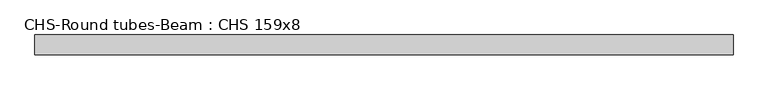
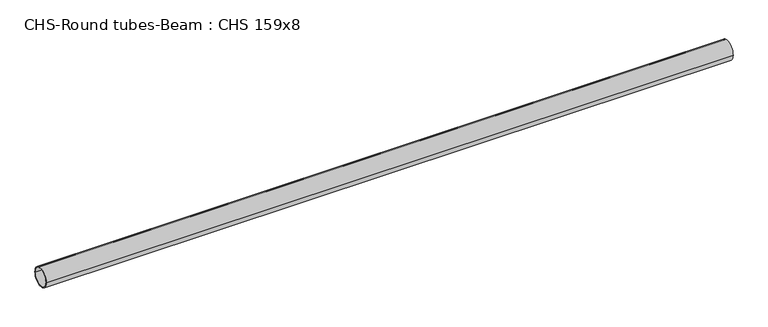
"""IFC4 building model written with IfcOpenShell, lengths in millimetres: beam geometry, CHS-Round tubes-Beam : CHS 159x8."""

from ifc_helpers import new_model, si_unit, point, frame, origin, origin_2d, place, context, project, spatial, circle_curve, trimmed, segment, composite_curve, outline, extrude, source, transform, mapped, element, save


def chs_round_tubes_beam_chs_159x8_cf563002(model_context):
    return source(origin(), model_context, "Body", "SweptSolid", [
        extrude(outline(composite_curve([segment(trimmed(circle_curve(origin_2d(), 79.5), [point((79.5, 0.0))], [point((-79.5, 0.0))], False, "CARTESIAN"), True, "CONTINUOUS"), segment(trimmed(circle_curve(origin_2d(), 79.5), [point((-79.5, 0.0))], [point((79.5, 0.0))], False, "CARTESIAN"), True, "CONTINUOUS")], self_intersect=False), holes=[composite_curve([segment(trimmed(circle_curve(origin_2d(), 71.5), [point((71.5, 0.0))], [point((-71.5, 0.0))], True, "CARTESIAN"), True, "CONTINUOUS"), segment(trimmed(circle_curve(origin_2d(), 71.5), [point((-71.5, 0.0))], [point((71.5, 0.0))], True, "CARTESIAN"), True, "CONTINUOUS")], self_intersect=False)]), frame((-2804.9578593, 0.0, 0.0), z_axis=(1.0, 0.0, 0.0), x_axis=(0.0, 1.0, 0.0)), (0.0, 0.0, 1.0), 5607.1164442),
    ])


if __name__ == "__main__":
    model = new_model("IFC4")
    model_context = context("Model", 3, world=origin())
    ifc_project = project(units=[si_unit("LENGTHUNIT", "METRE", prefix="MILLI")], contexts=[model_context])
    site = spatial("IfcSite", under=ifc_project)
    building = spatial("IfcBuilding", under=site)
    placement = place(None, origin())
    chs_round_tubes_beam_chs_159x8_shape = chs_round_tubes_beam_chs_159x8_cf563002(model_context)
    element("IfcBeam", 1, ObjectType="CHS-Round tubes-Beam : CHS 159x8", at=placement, inside=building, context=model_context, shape_type="MappedRepresentation", body=[
        mapped(chs_round_tubes_beam_chs_159x8_shape, transform((0.0, 0.0, 0.0), x_axis=(1.0, 0.0, 0.0), y_axis=(0.0, 1.0, 0.0), z_axis=(0.0, 0.0, 1.0))),
    ])
    save(model, "model.ifc")
